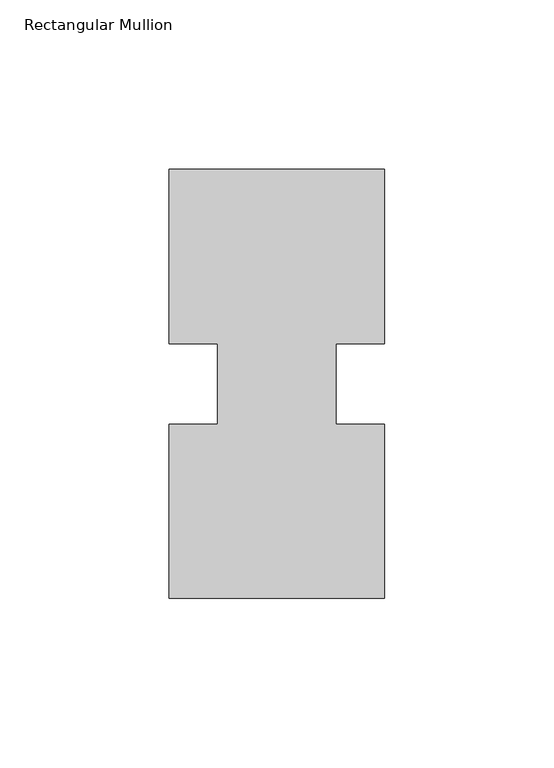
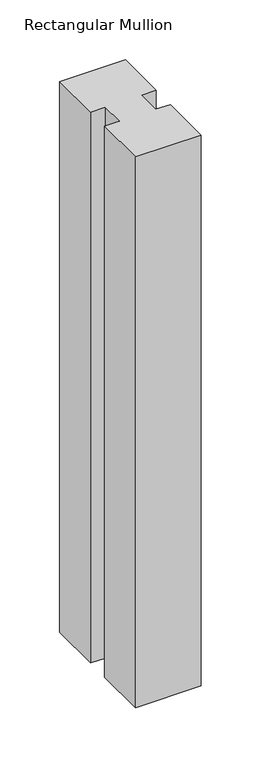
"""IFC4 building model written with IfcOpenShell, lengths in millimetres: member geometry, Rectangular Mullion."""

from ifc_helpers import new_model, si_unit, frame, origin, place, context, project, spatial, polyline, outline, extrude, source, transform, mapped, element, save


def rectangular_mullion_1077ef73(model_context):
    return source(origin(), model_context, "Body", "SweptSolid", [
        extrude(outline(polyline([(-63.5, 0.26035), (-63.5, 51.60645), (-49.2125, 51.60645), (-49.2125, 75.40625), (-63.5, 75.40625), (-63.5, 126.75235), (0.0, 126.75235), (0.0, 75.40625), (-14.2748, 75.40625), (-14.2748, 51.60645), (0.0, 51.60645), (0.0, 0.26035), (-63.5, 0.26035)])), frame((0.0, 0.0, -562.0178128), z_axis=(0.0, 0.0, 1.0), x_axis=(1.0, 0.0, 0.0)), (0.0, 0.0, 1.0), 562.0178128),
    ])


if __name__ == "__main__":
    model = new_model("IFC4")
    model_context = context("Model", 3, world=origin())
    ifc_project = project(units=[si_unit("LENGTHUNIT", "METRE", prefix="MILLI")], contexts=[model_context])
    site = spatial("IfcSite", under=ifc_project)
    building = spatial("IfcBuilding", under=site)
    placement = place(None, origin())
    rectangular_mullion_shape = rectangular_mullion_1077ef73(model_context)
    element("IfcMember", 1, ObjectType="Rectangular Mullion", at=placement, inside=building, context=model_context, shape_type="MappedRepresentation", body=[
        mapped(rectangular_mullion_shape, transform((0.0, 0.0, 0.0), x_axis=(1.0, 0.0, 0.0), y_axis=(0.0, 1.0, 0.0), z_axis=(0.0, 0.0, 1.0))),
    ])
    save(model, "model.ifc")
